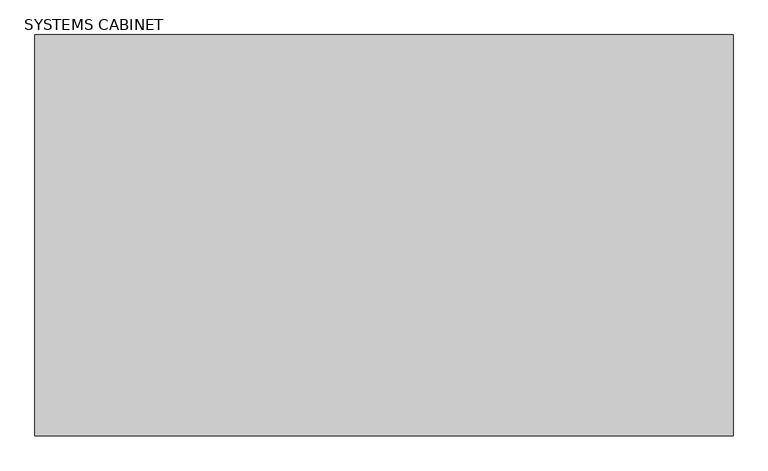
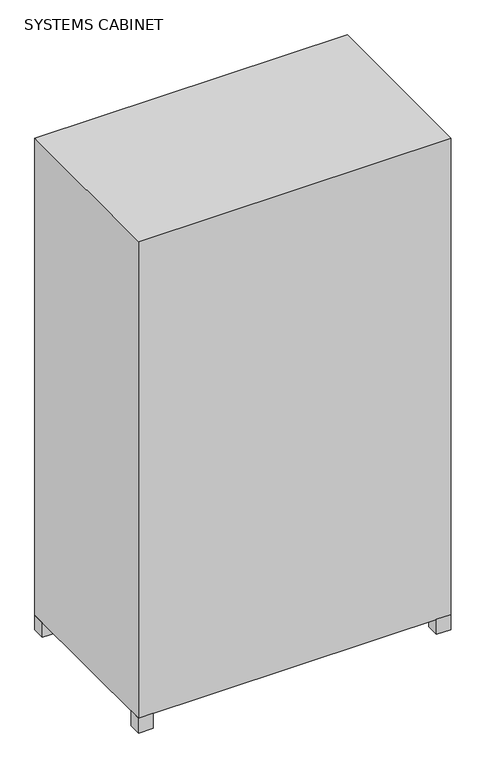
"""IFC4 building model written with IfcOpenShell, lengths in millimetres: proxy geometry, SYSTEMS CABINET."""

from ifc_helpers import new_model, si_unit, frame, origin, origin_with_axes, place, context, project, spatial, polyline, outline, extrude, source, transform, mapped, element, save


def systems_cabinet_43eb1873(model_context):
    return source(origin(), model_context, "Body", "SweptSolid", [
        extrude(outline(polyline([(1160.7638325, -647.8137563), (1217.1990931, -647.8137563), (1217.1990931, -698.6137563), (1160.7638325, -698.6137563), (1160.7638325, -647.8137563)])), origin_with_axes(), (0.0, 0.0, 1.0), 60.96),
        extrude(outline(polyline([(1217.1990931, -50.8), (1160.7638325, -50.8), (1160.7638325, 0.0), (1217.1990931, 0.0), (1217.1990931, -50.8)])), origin_with_axes(), (0.0, 0.0, 1.0), 60.96),
        extrude(outline(polyline([(1.7140451, -647.8137563), (58.1493056, -647.8137563), (58.1493056, -698.6137563), (1.7140451, -698.6137563), (1.7140451, -647.8137563)])), origin_with_axes(), (0.0, 0.0, 1.0), 60.96),
        extrude(outline(polyline([(58.1493056, -50.8), (1.7140451, -50.8), (1.7140451, 0.0), (58.1493056, 0.0), (58.1493056, -50.8)])), origin_with_axes(), (0.0, 0.0, 1.0), 60.96),
        extrude(outline(polyline([(1217.1990931, 0.0), (1217.1990931, -698.6137563), (1.7140451, -698.6137563), (1.7140451, 0.0), (1217.1990931, 0.0)])), frame((0.0, 0.0, 60.96), z_axis=(0.0, 0.0, 1.0), x_axis=(1.0, 0.0, 0.0)), (0.0, 0.0, 1.0), 1958.34),
    ])


if __name__ == "__main__":
    model = new_model("IFC4")
    model_context = context("Model", 3, world=origin())
    ifc_project = project(units=[si_unit("LENGTHUNIT", "METRE", prefix="MILLI")], contexts=[model_context])
    site = spatial("IfcSite", under=ifc_project)
    building = spatial("IfcBuilding", under=site)
    placement = place(None, origin())
    systems_cabinet_shape = systems_cabinet_43eb1873(model_context)
    element("IfcBuildingElementProxy", 1, Name="SYSTEMS CABINET", ObjectType="SYSTEMS CABINET", at=placement, inside=building, context=model_context, shape_type="MappedRepresentation", body=[
        mapped(systems_cabinet_shape, transform((0.0, 0.0, 0.0), x_axis=(1.0, 0.0, 0.0), y_axis=(0.0, 1.0, 0.0), z_axis=(0.0, 0.0, 1.0))),
    ])
    save(model, "model.ifc")
